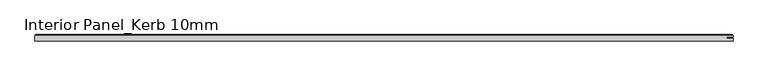
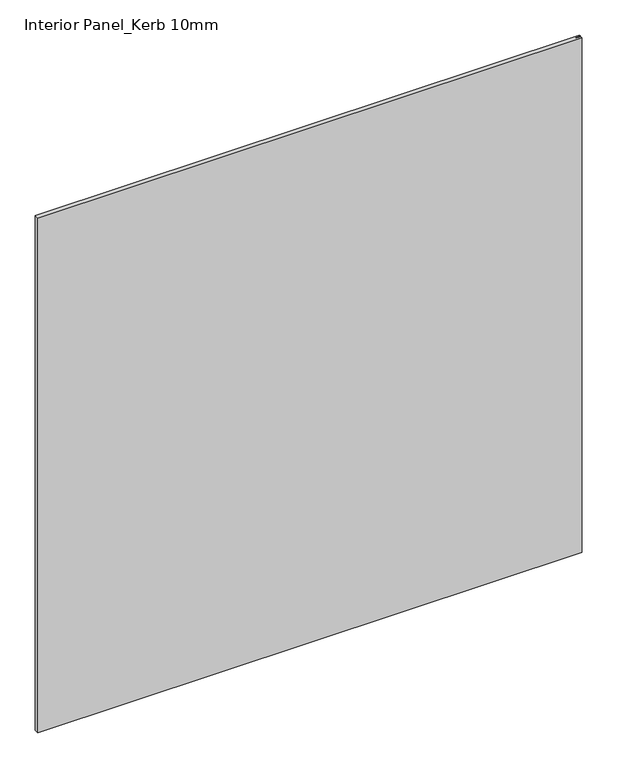
"""IFC4 building model written with IfcOpenShell, lengths in millimetres: proxy geometry, Interior Panel_Kerb 10mm."""

from ifc_helpers import new_model, si_unit, origin, place, context, project, spatial, faceted_brep, source, transform, mapped, element, save


def interior_panel_kerb_10mm_c30b1b75(model_context):
    return source(origin(), model_context, "Body", "Brep", [
        faceted_brep([(990.6, -3.175, 1063.625), (990.6, 0.5207, 1063.625), (980.7773437, 0.5207, 1063.625), (980.7773437, 2.6543, 1063.625), (990.6, 2.6543, 1063.625), (990.6, 4.7625, 1063.625), (-73.025, 4.7625, 1063.625), (-73.025, -3.175, 1063.625), (990.6, -3.175, 0.0), (-73.025, -3.175, 0.0), (-73.025, 4.7625, 0.0), (990.6, 4.7625, 0.0), (990.6, 2.6543, 0.0), (980.7773437, 2.6543, 0.0), (980.7773437, 0.5207, 0.0), (990.6, 0.5207, 0.0), (-71.4375, 6.35, 1062.0375), (989.0125, 6.35, 1062.0375), (989.0125, 6.35, 1.5875), (-71.4375, 6.35, 1.5875)], [[[0, 1, 2, 3, 4, 5, 6, 7]], [[8, 9, 10, 11, 12, 13, 14, 15]], [[7, 9, 8, 0]], [[6, 10, 9, 7]], [[16, 17, 18, 19]], [[4, 12, 11, 5]], [[6, 16, 19, 10]], [[11, 18, 17, 5]], [[5, 17, 16, 6]], [[10, 19, 18, 11]], [[3, 13, 12, 4]], [[2, 14, 13, 3]], [[1, 15, 14, 2]], [[0, 8, 15, 1]]]),
    ])


if __name__ == "__main__":
    model = new_model("IFC4")
    model_context = context("Model", 3, world=origin())
    ifc_project = project(units=[si_unit("LENGTHUNIT", "METRE", prefix="MILLI")], contexts=[model_context])
    site = spatial("IfcSite", under=ifc_project)
    building = spatial("IfcBuilding", under=site)
    placement = place(None, origin())
    interior_panel_kerb_10mm_shape = interior_panel_kerb_10mm_c30b1b75(model_context)
    element("IfcBuildingElementProxy", 1, Name="Interior Panel_Kerb 10mm", ObjectType="Interior Panel_Kerb 10mm", at=placement, inside=building, context=model_context, shape_type="MappedRepresentation", body=[
        mapped(interior_panel_kerb_10mm_shape, transform((0.0, 0.0, 0.0), x_axis=(1.0, 0.0, 0.0), y_axis=(0.0, 1.0, 0.0), z_axis=(0.0, 0.0, 1.0))),
    ])
    save(model, "model.ifc")
